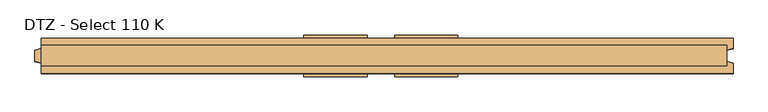
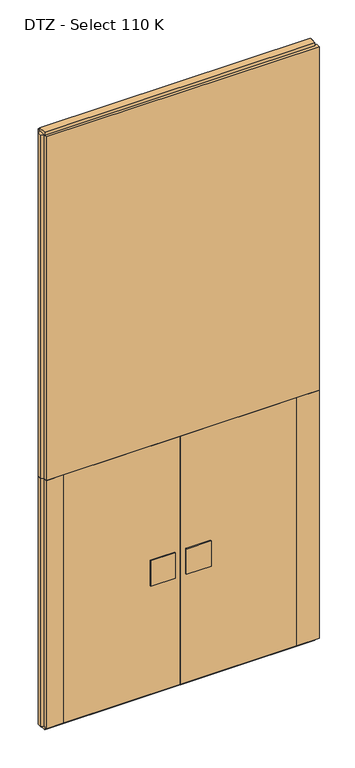
"""IFC4 building model written with IfcOpenShell, lengths in millimetres: door geometry, DTZ - Select 110 K."""

from ifc_helpers import new_model, si_unit, frame, origin, origin_with_axes, place, context, project, spatial, polyline, outline, extrude, source, transform, mapped, element, save


def dtz_select_110_k_0fb71101(model_context):
    return source(origin(), model_context, "Body", "SweptSolid", [
        extrude(outline(polyline([(43.0, -65.0), (43.0, -55.0), (240.0, -55.0), (240.0, -65.0), (43.0, -65.0)])), frame((0.0, 0.0, 934.0), z_axis=(0.0, 0.0, 1.0), x_axis=(1.0, 0.0, 0.0)), (0.0, 0.0, 1.0), 212.0),
        extrude(outline(polyline([(43.0, 55.0), (43.0, 65.0), (240.0, 65.0), (240.0, 55.0), (43.0, 55.0)])), frame((0.0, 0.0, 934.0), z_axis=(0.0, 0.0, 1.0), x_axis=(1.0, 0.0, 0.0)), (0.0, 0.0, 1.0), 212.0),
        extrude(outline(polyline([(-920.0, -55.0), (-920.0, 55.0), (0.0, 55.0), (0.0, -55.0), (-920.0, -55.0)])), frame((0.0, 0.0, 25.0), z_axis=(0.0, 0.0, 1.0), x_axis=(1.0, 0.0, 0.0)), (0.0, 0.0, 1.0), 2075.0),
        extrude(outline(polyline([(0.0, -55.0), (0.0, 55.0), (920.0, 55.0), (920.0, -55.0), (0.0, -55.0)])), frame((0.0, 0.0, 25.0), z_axis=(0.0, 0.0, 1.0), x_axis=(1.0, 0.0, 0.0)), (0.0, 0.0, 1.0), 2075.0),
        extrude(outline(polyline([(-240.0, -65.0), (-240.0, -55.0), (-43.0, -55.0), (-43.0, -65.0), (-240.0, -65.0)])), frame((0.0, 0.0, 934.0), z_axis=(0.0, 0.0, 1.0), x_axis=(1.0, 0.0, 0.0)), (0.0, 0.0, 1.0), 212.0),
        extrude(outline(polyline([(-240.0, 55.0), (-240.0, 65.0), (-43.0, 65.0), (-43.0, 55.0), (-240.0, 55.0)])), frame((0.0, 0.0, 934.0), z_axis=(0.0, 0.0, 1.0), x_axis=(1.0, 0.0, 0.0)), (0.0, 0.0, 1.0), 212.0),
        extrude(outline(polyline([(1080.0, 32.0), (1080.0, -32.0), (-1060.0, -32.0), (-1060.0, 32.0), (1080.0, 32.0)])), origin_with_axes(), (0.0, 0.0, 1.0), 25.0),
        extrude(outline(polyline([(1080.0, 32.0), (1080.0, -32.0), (-1060.0, -32.0), (-1060.0, 32.0), (1080.0, 32.0)])), frame((0.0, 0.0, 4975.0), z_axis=(0.0, 0.0, 1.0), x_axis=(1.0, 0.0, 0.0)), (0.0, 0.0, 1.0), 25.0),
        extrude(outline(polyline([(1100.0, -55.0), (920.0, -55.0), (920.0, 55.0), (1100.0, 55.0), (1100.0, 23.0), (1080.0, 17.6410162), (1080.0, -17.6410162), (1100.0, -23.0), (1100.0, -55.0)])), frame((0.0, 0.0, 25.0), z_axis=(0.0, 0.0, 1.0), x_axis=(1.0, 0.0, 0.0)), (0.0, 0.0, 1.0), 2075.0),
        extrude(outline(polyline([(-1060.0, -55.0), (-1060.0, -23.0), (-1080.0, -17.6410162), (-1080.0, 17.6410162), (-1060.0, 23.0), (-1060.0, 55.0), (-920.0, 55.0), (-920.0, -55.0), (-1060.0, -55.0)])), frame((0.0, 0.0, 25.0), z_axis=(0.0, 0.0, 1.0), x_axis=(1.0, 0.0, 0.0)), (0.0, 0.0, 1.0), 2075.0),
        extrude(outline(polyline([(1100.0, 55.0), (1100.0, 23.0), (1080.0, 17.6410162), (1080.0, -17.6410162), (1100.0, -23.0), (1100.0, -55.0), (-1060.0, -55.0), (-1060.0, -23.0), (-1080.0, -17.6410162), (-1080.0, 17.6410162), (-1060.0, 23.0), (-1060.0, 55.0), (1100.0, 55.0)])), frame((0.0, 0.0, 2100.0), z_axis=(0.0, 0.0, 1.0), x_axis=(1.0, 0.0, 0.0)), (0.0, 0.0, 1.0), 2875.0),
    ])


if __name__ == "__main__":
    model = new_model("IFC4")
    model_context = context("Model", 3, world=origin())
    ifc_project = project(units=[si_unit("LENGTHUNIT", "METRE", prefix="MILLI")], contexts=[model_context])
    site = spatial("IfcSite", under=ifc_project)
    building = spatial("IfcBuilding", under=site)
    placement = place(None, origin())
    dtz_select_110_k_shape = dtz_select_110_k_0fb71101(model_context)
    element("IfcDoor", 1, ObjectType="DTZ - Select 110 K", at=placement, inside=building, context=model_context, shape_type="MappedRepresentation", body=[
        mapped(dtz_select_110_k_shape, transform((0.0, 0.0, 0.0), x_axis=(1.0, 0.0, 0.0), y_axis=(0.0, 1.0, 0.0), z_axis=(0.0, 0.0, 1.0))),
    ])
    save(model, "model.ifc")
